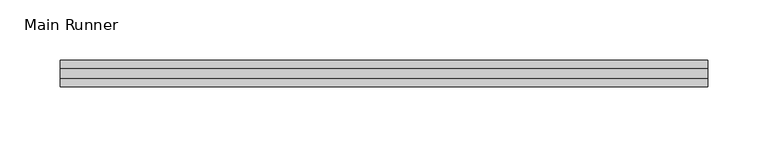
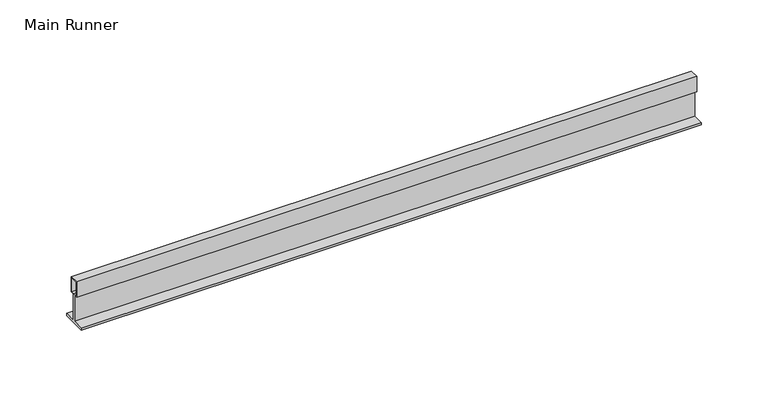
"""IFC4 building model written with IfcOpenShell, lengths in millimetres: beam geometry, Main Runner."""

from ifc_helpers import new_model, si_unit, frame, origin, place, context, project, spatial, polyline, outline, extrude, source, transform, mapped, element, save


def main_runner_443fed19(model_context):
    return source(origin(), model_context, "Body", "SweptSolid", [
        extrude(outline(polyline([(11.0, -2.0), (0.0, -2.0), (-11.0, -2.0), (-11.0, 0.0), (-1.0, 0.0), (-1.0, 24.0), (-4.0, 24.0), (-4.0, 38.1243468), (4.0, 38.1243468), (4.0, 24.0), (1.0, 24.0), (1.0, 0.0), (11.0, 0.0), (11.0, -2.0)]), holes=[polyline([(3.0, 37.1243468), (-3.0169966, 37.1243468), (-3.0169966, 25.0), (0.0, 25.0), (3.0, 25.0), (3.0, 37.1243468)])]), frame((-249.3671417, 0.0, 0.0), z_axis=(1.0, 0.0, 0.0), x_axis=(0.0, 1.0, 0.0)), (0.0, 0.0, 1.0), 538.3671417),
    ])


if __name__ == "__main__":
    model = new_model("IFC4")
    model_context = context("Model", 3, world=origin())
    ifc_project = project(units=[si_unit("LENGTHUNIT", "METRE", prefix="MILLI")], contexts=[model_context])
    site = spatial("IfcSite", under=ifc_project)
    building = spatial("IfcBuilding", under=site)
    placement = place(None, origin())
    main_runner_shape = main_runner_443fed19(model_context)
    element("IfcBeam", 1, ObjectType="Main Runner", at=placement, inside=building, context=model_context, shape_type="MappedRepresentation", body=[
        mapped(main_runner_shape, transform((0.0, 0.0, 0.0), x_axis=(1.0, 0.0, 0.0), y_axis=(0.0, 1.0, 0.0), z_axis=(0.0, 0.0, 1.0))),
    ])
    save(model, "model.ifc")
